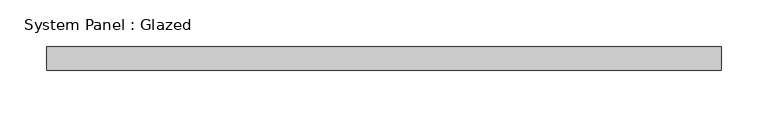
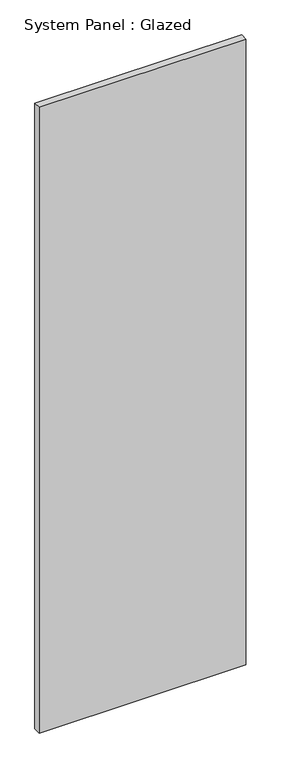
"""IFC4 building model written with IfcOpenShell, lengths in millimetres: plate geometry, System Panel : Glazed."""

from ifc_helpers import new_model, si_unit, origin, origin_with_axes, place, context, project, spatial, polyline, outline, extrude, source, transform, mapped, element, save


def system_panel_glazed_ba540bc1(model_context):
    return source(origin(), model_context, "Body", "SweptSolid", [
        extrude(outline(polyline([(359.3709026, -49.5), (-359.3709026, -49.5), (-359.3709026, -24.5), (359.3709026, -24.5), (359.3709026, -49.5)])), origin_with_axes(), (0.0, 0.0, 1.0), 2300.0),
    ])


if __name__ == "__main__":
    model = new_model("IFC4")
    model_context = context("Model", 3, world=origin())
    ifc_project = project(units=[si_unit("LENGTHUNIT", "METRE", prefix="MILLI")], contexts=[model_context])
    site = spatial("IfcSite", under=ifc_project)
    building = spatial("IfcBuilding", under=site)
    placement = place(None, origin())
    system_panel_glazed_shape = system_panel_glazed_ba540bc1(model_context)
    element("IfcPlate", 1, ObjectType="System Panel : Glazed", at=placement, inside=building, context=model_context, shape_type="MappedRepresentation", body=[
        mapped(system_panel_glazed_shape, transform((0.0, 0.0, 0.0), x_axis=(1.0, 0.0, 0.0), y_axis=(0.0, 1.0, 0.0), z_axis=(0.0, 0.0, 1.0))),
    ])
    save(model, "model.ifc")
